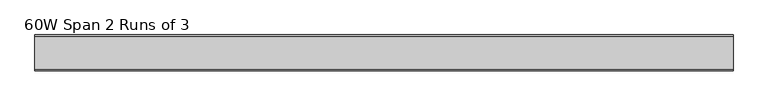
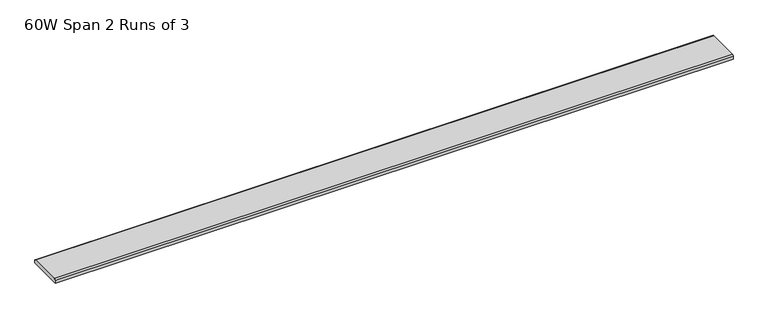
"""IFC4 building model written with IfcOpenShell, lengths in millimetres: furniture geometry, 60W Span 2 Runs of 3."""

import ifcopenshell
import ifcopenshell.guid

model = None  # the IFC model being written
_history = None  # IfcOwnerHistory: only IFC2X3 demands one
_inside = {}  # id of a spatial element -> (the spatial element, [elements in it])
_under = {}  # id of a project, library or spatial element -> (it, [spatial elements below it])
_declared = {}  # id of a project -> (the project, [libraries it declares])
_typed = {}  # id of a type object -> (the type object, [elements of that type])
_made_of = {}  # id of a material, layer set ... -> (it, [elements and type objects made of it])


def new_model(schema):
    """Start an empty IFC model of exactly this schema.

    Asked for "IFC4X3", IfcOpenShell would pick the latest addendum, in which some entities
    have other attributes; the version numbers below select the first issue.
    IFC2X3 requires an IfcOwnerHistory on every rooted entity: one is made here for all.
    """
    global model, _history
    if schema == "IFC4X3":
        model = ifcopenshell.file(schema_version=(4, 3, 0, 0))
    else:
        model = ifcopenshell.file(schema=schema)
    _inside.clear()
    _under.clear()
    _declared.clear()
    _typed.clear()
    _made_of.clear()
    _history = None
    if model.schema == "IFC2X3":
        org = make("IfcOrganization", Name="unknown")
        user = make(
            "IfcPersonAndOrganization",
            ThePerson=make("IfcPerson", FamilyName="unknown"),
            TheOrganization=org,
        )
        app = make(
            "IfcApplication",
            ApplicationDeveloper=org,
            Version="unknown",
            ApplicationFullName="unknown",
            ApplicationIdentifier="unknown",
        )
        _history = make(
            "IfcOwnerHistory",
            OwningUser=user,
            OwningApplication=app,
            ChangeAction="ADDED",
            CreationDate=0,
        )
    return model


def make(cls, **values):
    """One entity of the class cls with the attributes given. An attribute that is None is left unset."""
    return model.create_entity(
        cls, **{name: value for name, value in values.items() if value is not None}
    )


def rooted(cls, **values):
    """An entity with a GlobalId (a new one), such as an element, a storey or a relation."""
    return make(cls, GlobalId=ifcopenshell.guid.new(), OwnerHistory=_history, **values)


def si_unit(unit_type, name, prefix=None):
    """IfcSIUnit, for example si_unit("LENGTHUNIT", "METRE", prefix="MILLI")."""
    return make("IfcSIUnit", UnitType=unit_type, Prefix=prefix, Name=name)


def assignment(units):
    """IfcUnitAssignment: the units of a project."""
    return None if units is None else make("IfcUnitAssignment", Units=units)


def point(xyz):
    """IfcCartesianPoint."""
    return None if xyz is None else make("IfcCartesianPoint", Coordinates=xyz)


def direction(xyz):
    """IfcDirection."""
    return None if xyz is None else make("IfcDirection", DirectionRatios=xyz)


def frame(location, z_axis=None, x_axis=None):
    """IfcAxis2Placement3D, a coordinate frame: its origin and axes. An axis left out is left unset."""
    return make(
        "IfcAxis2Placement3D",
        Location=point(location),
        Axis=direction(z_axis),
        RefDirection=direction(x_axis),
    )


def frame_2d(location, x_axis=None):
    """IfcAxis2Placement2D, a coordinate frame in the plane: its origin and x axis."""
    return make(
        "IfcAxis2Placement2D", Location=point(location), RefDirection=direction(x_axis)
    )


def origin():
    """The frame at (0, 0, 0) with its axes left unset."""
    return frame((0.0, 0.0, 0.0))


def place(relative_to, where):
    """IfcLocalPlacement: puts the frame where relative to a parent placement (None: the world)."""
    return make(
        "IfcLocalPlacement", PlacementRelTo=relative_to, RelativePlacement=where
    )


def context(
    kind, dimensions, precision=None, world=None, true_north=None, identifier=None
):
    """IfcGeometricRepresentationContext, for example the 3D "Model" context."""
    return make(
        "IfcGeometricRepresentationContext",
        ContextIdentifier=identifier,
        ContextType=kind,
        CoordinateSpaceDimension=dimensions,
        Precision=precision,
        WorldCoordinateSystem=world,
        TrueNorth=true_north,
    )


def project(units=None, contexts=None):
    """IfcProject with its units and contexts."""
    return rooted(
        "IfcProject",
        Name="project",
        RepresentationContexts=contexts,
        UnitsInContext=assignment(units),
    )


def spatial(cls, under=None, at=None, **own):
    """A site, building, storey or space (cls), placed at a placement, below another one or the project."""
    s = rooted(cls, ObjectPlacement=at, **own)
    if under is not None:
        _under.setdefault(under.id(), (under, []))[1].append(s)
    return s


def polyline(points):
    """IfcPolyline through the points."""
    return make("IfcPolyline", Points=[point(p) for p in points])


def circle_curve(where, radius):
    """IfcCircle in the frame where."""
    return make("IfcCircle", Position=where, Radius=radius)


def trimmed(basis, trim1, trim2, sense, master):
    """IfcTrimmedCurve: the piece of a basis curve between two trims."""
    return make(
        "IfcTrimmedCurve",
        BasisCurve=basis,
        Trim1=trim1,
        Trim2=trim2,
        SenseAgreement=sense,
        MasterRepresentation=master,
    )


def segment(curve, same_sense, transition):
    """IfcCompositeCurveSegment."""
    return make(
        "IfcCompositeCurveSegment",
        Transition=transition,
        SameSense=same_sense,
        ParentCurve=curve,
    )


def composite_curve(segments, self_intersect=None):
    """IfcCompositeCurve: segments joined end to end."""
    return make("IfcCompositeCurve", Segments=segments, SelfIntersect=self_intersect)


def outline(outer, holes=None, kind="AREA"):
    """IfcArbitraryClosedProfileDef: a profile drawn as a closed curve; with holes, ...WithVoids."""
    if holes is None:
        return make("IfcArbitraryClosedProfileDef", ProfileType=kind, OuterCurve=outer)
    return make(
        "IfcArbitraryProfileDefWithVoids",
        ProfileType=kind,
        OuterCurve=outer,
        InnerCurves=holes,
    )


def extrude(swept, where, along, depth):
    """IfcExtrudedAreaSolid: the profile swept, set in the frame where, extruded along a direction by depth."""
    return make(
        "IfcExtrudedAreaSolid",
        SweptArea=swept,
        Position=where,
        ExtrudedDirection=direction(along),
        Depth=depth,
    )


def shape(context_of_items, identifier, shape_type, items):
    """IfcShapeRepresentation: the items that make up one representation, for example the "Body"."""
    return make(
        "IfcShapeRepresentation",
        ContextOfItems=context_of_items,
        RepresentationIdentifier=identifier,
        RepresentationType=shape_type,
        Items=items,
    )


def source(mapping_origin, context_of_items, identifier, shape_type, items):
    """IfcRepresentationMap: a shape defined once, which mapped items show again and again."""
    return make(
        "IfcRepresentationMap",
        MappingOrigin=mapping_origin,
        MappedRepresentation=shape(context_of_items, identifier, shape_type, items),
    )


def transform(
    local_origin,
    x_axis=None,
    y_axis=None,
    z_axis=None,
    scale=None,
    scale2=None,
    scale3=None,
    uniform=True,
):
    """IfcCartesianTransformationOperator3D, or its non-uniform kind. x_axis, y_axis, z_axis: its Axis1, 2, 3."""
    if uniform:
        return make(
            "IfcCartesianTransformationOperator3D",
            Axis1=direction(x_axis),
            Axis2=direction(y_axis),
            LocalOrigin=point(local_origin),
            Scale=scale,
            Axis3=direction(z_axis),
        )
    return make(
        "IfcCartesianTransformationOperator3DnonUniform",
        Axis1=direction(x_axis),
        Axis2=direction(y_axis),
        LocalOrigin=point(local_origin),
        Scale=scale,
        Axis3=direction(z_axis),
        Scale2=scale2,
        Scale3=scale3,
    )


def mapped(mapping_source, mapping_target):
    """IfcMappedItem: shows the shape of a source again, moved by a transform."""
    return make(
        "IfcMappedItem", MappingSource=mapping_source, MappingTarget=mapping_target
    )


def made_of(thing, what):
    """Note that an element or type object is made of a material, layer set ...; save() writes the relation."""
    if what is not None:
        _made_of.setdefault(what.id(), (what, []))[1].append(thing)
    return thing


def element(
    cls,
    number,
    at=None,
    inside=None,
    cuts=None,
    type_object=None,
    material=None,
    context=None,
    identifier="Body",
    shape_type=None,
    held_by="IfcProductDefinitionShape",
    body=None,
    shapes=None,
    **own,
):
    """One element of the class cls, such as IfcWall. Its Tag is "e" and its number.

    at: its placement. inside: the storey or other place that contains it. cuts: it is an
    opening in that element (IfcRelVoidsElement). A single representation is given by context,
    identifier, shape_type and body (its items); several are given by shapes. held_by: the class
    of the entity that holds the representations. save() writes the other relations.
    """
    e = rooted(cls, Tag="e%d" % number, ObjectPlacement=at, **own)
    if body is not None:
        shapes = [shape(context, identifier, shape_type, body)]
    if shapes is not None:
        e.Representation = make(held_by, Representations=shapes)
    if inside is not None:
        _inside.setdefault(inside.id(), (inside, []))[1].append(e)
    if cuts is not None:
        rooted(
            "IfcRelVoidsElement", RelatingBuildingElement=cuts, RelatedOpeningElement=e
        )
    if type_object is not None:
        _typed.setdefault(type_object.id(), (type_object, []))[1].append(e)
    return made_of(e, material)


def aggregate(whole, parts):
    """IfcRelAggregates: a whole, such as a stair, and the parts it consists of."""
    return rooted("IfcRelAggregates", RelatingObject=whole, RelatedObjects=parts)


def save(model, path):
    """Write the relations noted so far, then the file.

    IfcRelAggregates (storeys below a building ...), IfcRelContainedInSpatialStructure (elements
    in a storey), IfcRelDefinesByType, IfcRelAssociatesMaterial and IfcRelDeclares: one each for
    every whole, place, type object, material and project.
    """
    for whole, parts in _under.values():
        aggregate(whole, parts)
    for where, things in _inside.values():
        rooted(
            "IfcRelContainedInSpatialStructure",
            RelatedElements=things,
            RelatingStructure=where,
        )
    for kind, things in _typed.values():
        rooted("IfcRelDefinesByType", RelatedObjects=things, RelatingType=kind)
    for what, things in _made_of.values():
        rooted("IfcRelAssociatesMaterial", RelatedObjects=things, RelatingMaterial=what)
    for by, libraries in _declared.values():
        rooted("IfcRelDeclares", RelatingContext=by, RelatedDefinitions=libraries)
    model.write(path)


def furniture_60w_span_2_runs_of_3_89596461(model_context):
    return source(origin(), model_context, "Body", "SweptSolid", [
        extrude(outline(composite_curve([segment(polyline([(37.5704018, 1156.716), (37.5704018, 1150.366), (-40.8679732, 1150.366), (-40.8679732, 1156.716)]), True, "CONTINUOUS"), segment(trimmed(circle_curve(frame_2d((-37.6929732, 1156.716)), 3.175), [point((-40.8679732, 1156.716))], [point((-37.6929732, 1159.891))], False, "CARTESIAN"), True, "CONTINUOUS"), segment(polyline([(-37.6929732, 1159.891), (34.3954018, 1159.891)]), True, "CONTINUOUS"), segment(trimmed(circle_curve(frame_2d((34.3954018, 1156.716)), 3.175), [point((34.3954018, 1159.891))], [point((37.5704018, 1156.716))], False, "CARTESIAN"), True, "CONTINUOUS")], self_intersect=False)), frame((-759.774325, 0.0, 0.0), z_axis=(1.0, 0.0, 0.0), x_axis=(0.0, 1.0, 0.0)), (0.0, 0.0, 1.0), 1519.555),
    ])


if __name__ == "__main__":
    model = new_model("IFC4")
    model_context = context("Model", 3, world=origin())
    ifc_project = project(units=[si_unit("LENGTHUNIT", "METRE", prefix="MILLI")], contexts=[model_context])
    site = spatial("IfcSite", under=ifc_project)
    building = spatial("IfcBuilding", under=site)
    placement = place(None, origin())
    furniture_60w_span_2_runs_of_3_shape = furniture_60w_span_2_runs_of_3_89596461(model_context)
    element("IfcFurniture", 1, ObjectType="60W Span 2 Runs of 3", at=placement, inside=building, context=model_context, shape_type="MappedRepresentation", body=[
        mapped(furniture_60w_span_2_runs_of_3_shape, transform((0.0, 0.0, 0.0), x_axis=(1.0, 0.0, 0.0), y_axis=(0.0, 1.0, 0.0), z_axis=(0.0, 0.0, 1.0))),
    ])
    save(model, "model.ifc")
